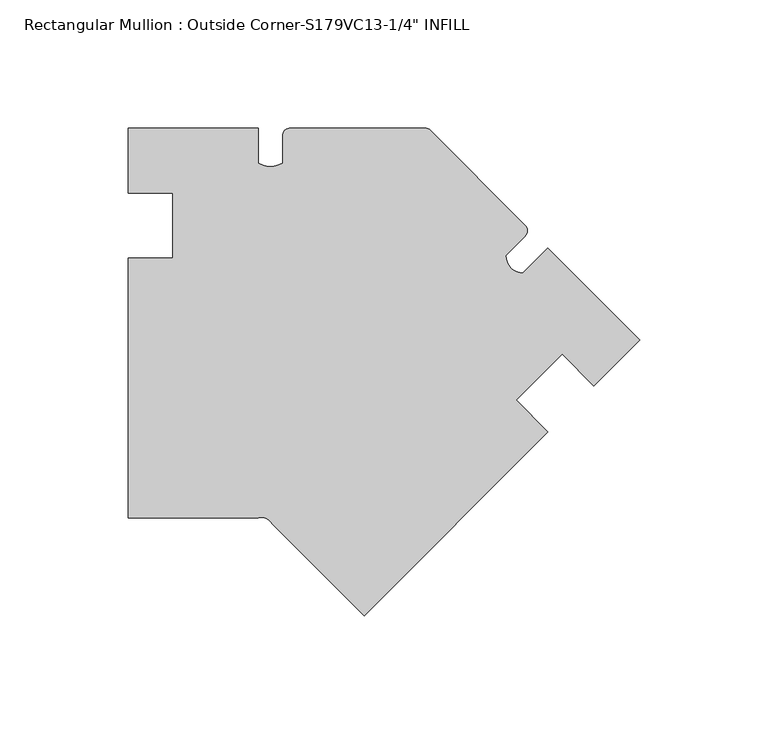
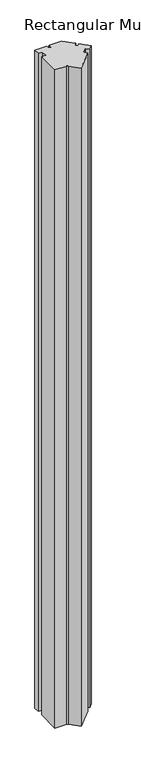
"""IFC4 building model written with IfcOpenShell, lengths in millimetres: member geometry."""

from ifc_helpers import new_model, si_unit, point, frame, frame_2d, origin, place, context, project, spatial, polyline, circle_curve, trimmed, segment, composite_curve, outline, extrude, source, transform, mapped, element, save


def member_cf10074b(model_context):
    return source(origin(), model_context, "Body", "SweptSolid", [
        extrude(outline(composite_curve([segment(polyline([(-149.1182305, -152.4), (-199.9182305, -152.4), (-199.9182305, -50.8), (-182.4684305, -50.8), (-182.4684305, -25.4), (-199.9182305, -25.4), (-199.9182305, 0.0), (-149.1182305, 0.0), (-149.1182305, -13.8176)]), True, "CONTINUOUS"), segment(trimmed(circle_curve(frame_2d((-144.3557305, -5.568708)), 9.525), [point((-149.1182305, -13.8176))], [point((-139.5932305, -13.8176))], True, "CARTESIAN"), True, "CONTINUOUS"), segment(polyline([(-139.5932305, -13.8176), (-139.5932305, -3.175)]), True, "CONTINUOUS"), segment(trimmed(circle_curve(frame_2d((-136.4182305, -3.175)), 3.175), [point((-139.5932305, -3.175))], [point((-136.4182305, 0.0))], False, "CARTESIAN"), True, "CONTINUOUS"), segment(polyline([(-136.4182305, 0.0), (-84.1239705, 0.0)]), True, "CONTINUOUS"), segment(trimmed(circle_curve(frame_2d((-84.1239705, -3.175)), 3.175), [point((-84.1239705, 0.0))], [point((-81.8789065, -0.929936))], False, "CARTESIAN"), True, "CONTINUOUS"), segment(polyline([(-81.8789065, -0.929936), (-44.9012806, -37.9075618)]), True, "CONTINUOUS"), segment(trimmed(circle_curve(frame_2d((-47.1463446, -40.1526259)), 3.175), [point((-44.9012806, -37.9075618))], [point((-44.9012806, -42.3976899))], False, "CARTESIAN"), True, "CONTINUOUS"), segment(polyline([(-44.9012806, -42.3976899), (-52.4267352, -49.9231445)]), True, "CONTINUOUS"), segment(trimmed(circle_curve(frame_2d((-45.6915431, -49.9231445)), 6.7351921), [point((-52.4267352, -49.9231445))], [point((-45.6915431, -56.6583366))], True, "CARTESIAN"), True, "CONTINUOUS"), segment(polyline([(-45.6915431, -56.6583366), (-35.9210245, -46.887818), (0.0, -82.8088424), (-17.9605122, -100.7693547), (-30.2993842, -88.4304828), (-48.2598964, -106.390995), (-35.9210245, -118.7298669), (-107.7630735, -190.5719159), (-143.6840979, -154.6508914)]), True, "CONTINUOUS"), segment(trimmed(circle_curve(frame_2d((-147.8678736, -157.0663954)), 4.831008), [point((-143.6840979, -154.6508914))], [point((-149.1182305, -152.4))], True, "CARTESIAN"), True, "CONTINUOUS")], self_intersect=False)), frame((0.0, 0.0, -3048.0), z_axis=(0.0, 0.0, 1.0), x_axis=(1.0, 0.0, 0.0)), (0.0, 0.0, 1.0), 3048.0),
    ])


if __name__ == "__main__":
    model = new_model("IFC4")
    model_context = context("Model", 3, world=origin())
    ifc_project = project(units=[si_unit("LENGTHUNIT", "METRE", prefix="MILLI")], contexts=[model_context])
    site = spatial("IfcSite", under=ifc_project)
    building = spatial("IfcBuilding", under=site)
    placement = place(None, origin())
    member_shape = member_cf10074b(model_context)
    element("IfcMember", 1, ObjectType="Rectangular Mullion : Outside Corner-S179VC13-1/4\" INFILL", at=placement, inside=building, context=model_context, shape_type="MappedRepresentation", body=[
        mapped(member_shape, transform((0.0, 0.0, 0.0), x_axis=(1.0, 0.0, 0.0), y_axis=(0.0, 1.0, 0.0), z_axis=(0.0, 0.0, 1.0))),
    ])
    save(model, "model.ifc")
